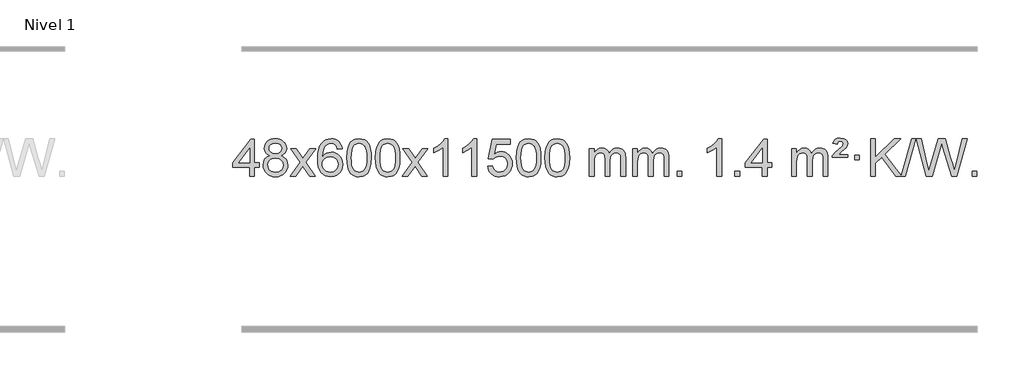
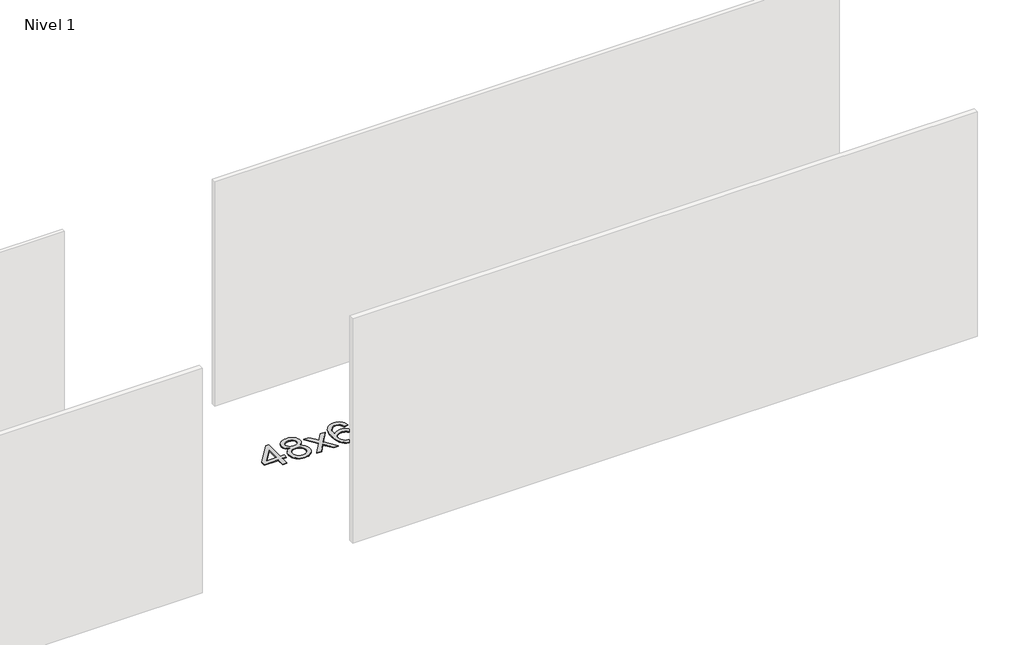
# One storey, part 8 of 10: 1 proxy.
"""IFC4 building model written with IfcOpenShell, lengths in millimetres."""

from ifc_helpers import new_model, si_unit, origin, origin_with_axes, place, context, project, spatial, polyline, outline, extrude, element, save

model = new_model("IFC4")

# Units and contexts
model_context = context("Model", 3, world=origin())
ifc_project = project(units=[si_unit("LENGTHUNIT", "METRE", prefix="MILLI")], contexts=[model_context])

# Site, building, storey
site = spatial("IfcSite", under=ifc_project)
building = spatial("IfcBuilding", under=site)
storey = spatial("IfcBuildingStorey", under=building, Name="Nivel 1", Elevation=0.0)

# Proxy
placement = place(None, origin())
element("IfcBuildingElementProxy", 1, Name="Texto de modelo 1", ObjectType="Texto de modelo 1", at=placement, inside=storey, context=model_context, shape_type="SweptSolid", body=[
    extrude(outline(polyline([(-1746.7519314, -391.579453), (-1746.7519314, -297.4016622), (-1928.8289935, -297.4016622), (-1928.8289935, -247.1735072), (-1734.1948926, 3.9672682), (-1696.5237763, 3.9672682), (-1696.5237763, -247.1735072), (-1646.2956212, -247.1735072), (-1646.2956212, -297.4016622), (-1696.5237763, -297.4016622), (-1696.5237763, -391.579453), (-1746.7519314, -391.579453)]), holes=[polyline([(-1746.7519314, -247.1735072), (-1746.7519314, -91.9763561), (-1867.0248183, -247.1735072), (-1746.7519314, -247.1735072)])]), origin_with_axes(), (0.0, 0.0, 1.0), 10.0),
    extrude(outline(polyline([(-1529.161994, -170.2616447), (-1556.0541678, -157.0178929), (-1574.9265142, -139.0652515), (-1586.0733386, -116.7716026), (-1589.7889468, -90.5048281), (-1587.7655958, -70.0199324), (-1581.6955429, -51.2395565), (-1571.578788, -34.1637006), (-1557.4153312, -18.7923645), (-1539.8857541, -6.088173), (-1519.6706385, 2.9862496), (-1496.7699843, 8.4309031), (-1471.1837915, 10.2457876), (-1445.4749714, 8.3879835), (-1422.402639, 2.8145713), (-1401.9667941, -6.4744491), (-1384.1674369, -19.4790776), (-1369.7464627, -35.1508506), (-1359.4457669, -52.4413044), (-1353.2653493, -71.3504389), (-1351.2052102, -91.8782543), (-1354.8717674, -117.2989001), (-1365.871439, -139.2124043), (-1384.3268525, -157.0546811), (-1410.360635, -170.2616447), (-1379.4462847, -186.1909351), (-1356.9441693, -209.6495436), (-1343.2221709, -239.5092989), (-1338.6481714, -274.6420295), (-1340.916777, -299.6947933), (-1347.722594, -322.6628926), (-1359.0656221, -343.5463272), (-1374.9458616, -362.3450971), (-1394.5294465, -377.88198), (-1416.9825109, -388.9797536), (-1442.3050549, -395.6384177), (-1470.4970785, -397.8579724), (-1498.689102, -395.6292206), (-1524.011646, -388.9429654), (-1546.4647105, -377.7992066), (-1566.0482954, -362.1979443), (-1581.9285348, -343.26735), (-1593.271563, -322.135595), (-1600.0773799, -298.8026795), (-1602.3459855, -273.2686033), (-1597.5880451, -236.7747094), (-1583.3142237, -206.7555386), (-1560.2602853, -184.2411605), (-1529.161994, -170.2616447)]), holes=[polyline([(-1539.5607917, -91.9763561), (-1535.1094196, -113.902123), (-1521.7553031, -131.413306), (-1499.8908499, -142.8912243), (-1469.9084673, -146.717197), (-1440.6250605, -142.9157497), (-1419.091701, -131.5114079), (-1405.8479492, -114.5888361), (-1401.4333652, -94.232699), (-1405.995102, -73.1040098), (-1419.6803122, -55.629615), (-1441.5079773, -43.8941794), (-1470.4970785, -39.9823675), (-1499.6701207, -43.8083402), (-1521.4609975, -55.2862585), (-1535.0358432, -72.1107284), (-1539.5607917, -91.9763561)]), polyline([(-1552.1178305, -271.5027698), (-1550.0209031, -290.7184726), (-1543.730121, -309.3210389), (-1532.1173127, -325.5446349), (-1514.0543067, -337.623427), (-1492.4228454, -345.1282197), (-1470.104671, -347.6298173), (-1435.9161709, -342.3691048), (-1422.0224942, -335.7932141), (-1410.2625331, -326.5869672), (-1394.2228781, -302.6869002), (-1388.8763265, -273.0723996), (-1394.3945564, -242.9551269), (-1410.9492462, -218.5277625), (-1423.0280384, -209.0854579), (-1437.1914952, -202.3409547), (-1471.7724027, -196.9453521), (-1505.4826562, -202.2673783), (-1519.2199831, -208.919911), (-1530.8787766, -218.2334569), (-1546.808067, -242.1948375), (-1552.1178305, -271.5027698)])]), origin_with_axes(), (0.0, 0.0, 1.0), 10.0),
    extrude(outline(polyline([(-1313.5340939, -391.579453), (-1206.2106531, -243.2494325), (-1307.2555745, -96.4890419), (-1246.8248254, -96.4890419), (-1198.0681983, -167.122385), (-1175.3085655, -200.4770192), (-1155.5900906, -173.2047007), (-1100.0644348, -96.4890419), (-1039.6336857, -96.4890419), (-1145.7799041, -243.2494325), (-1043.5577603, -391.579453), (-1103.9885094, -391.579453), (-1165.498379, -302.4048574), (-1176.7800935, -286.1199477), (-1253.1033448, -391.579453), (-1313.5340939, -391.579453)])), origin_with_axes(), (0.0, 0.0, 1.0), 10.0),
    extrude(outline(polyline([(-754.7458687, -96.4890419), (-804.9740237, -102.7675613), (-813.0674276, -77.874213), (-824.0057856, -60.8780648), (-846.7899439, -45.2062918), (-874.3320426, -39.9823675), (-897.6802865, -43.0235253), (-919.6551044, -52.1469988), (-938.5274507, -71.3627017), (-953.9417063, -97.8134171), (-964.3527668, -135.227016), (-968.2155277, -187.3313693), (-948.0678571, -163.8237098), (-923.9225355, -147.2567573), (-897.1284635, -137.434308), (-869.0345418, -134.1601582), (-844.9014829, -136.398107), (-822.6323595, -143.1119534), (-802.2271715, -154.3016975), (-783.6859189, -169.9673391), (-768.2777947, -189.1769106), (-757.2719917, -210.9984443), (-750.6685099, -235.4319401), (-748.4673493, -262.4773982), (-752.6121531, -298.4439945), (-765.0465645, -331.786366), (-784.740514, -360.0642287), (-810.6639319, -380.8372987), (-841.6395959, -393.602804), (-876.4902836, -397.8579724), (-906.4328123, -395.0375437), (-933.4752046, -386.5762579), (-957.6174606, -372.4741147), (-978.8595801, -352.7311143), (-996.177625, -326.5133908), (-1008.5476571, -292.9870783), (-1015.9696764, -252.1521768), (-1018.4436828, -204.0086864), (-1015.6968306, -150.0342663), (-1007.4562739, -103.9693092), (-993.7220127, -65.8138149), (-974.4940471, -35.5677835), (-953.6535321, -15.5243462), (-929.4898164, -1.2076052), (-902.0029, 7.3824394), (-871.1927829, 10.2457876), (-848.0591367, 8.4738227), (-827.1205198, 3.1579278), (-808.3769322, -5.7018969), (-791.8283738, -18.1056515), (-777.9224344, -33.6364031), (-767.1067037, -51.8772186), (-759.3811818, -72.8280983), (-754.7458687, -96.4890419)]), holes=[polyline([(-968.2155277, -261.6925832), (-965.30926, -283.9494439), (-956.5904567, -305.2007605), (-943.0523993, -323.472233), (-925.6883691, -336.7895612), (-904.7313581, -344.9197533), (-880.4143582, -347.6298173), (-847.2681904, -342.0134855), (-833.353054, -334.9930708), (-821.2098825, -325.1644901), (-811.359842, -312.9262824), (-804.3240989, -298.6769865), (-798.6955043, -264.1451299), (-804.2505225, -230.9989621), (-811.1942951, -217.3781312), (-820.9155769, -205.725469), (-833.0955366, -196.3904634), (-847.4153432, -189.7226022), (-882.4744974, -184.3883133), (-915.5716142, -189.7226022), (-943.248603, -205.725469), (-954.1716326, -217.2248471), (-961.9737965, -230.3858254), (-966.6550949, -245.2084042), (-968.2155277, -261.6925832)])]), origin_with_axes(), (0.0, 0.0, 1.0), 10.0),
    extrude(outline(polyline([(-704.5177136, -193.9041943), (-700.8266309, -129.5861588), (-689.7533828, -78.2911459), (-671.408334, -39.2343407), (-659.550271, -24.0009605), (-645.901849, -11.6309284), (-630.4170827, -2.0598651), (-613.0499869, 4.7766086), (-572.6688065, 10.2457876), (-541.717668, 7.008426), (-514.003891, -2.7036586), (-490.8273253, -18.5103217), (-473.4878206, -40.0314184), (-460.3912216, -67.0830078), (-449.9433729, -99.4811488), (-443.1007678, -140.6226186), (-440.8198994, -193.9041943), (-444.4741939, -257.8543477), (-455.4370774, -309.0267333), (-473.6717616, -348.1203266), (-485.5022334, -363.3996922), (-499.1414584, -375.8341036), (-514.6446188, -385.4695462), (-532.066897, -392.3520052), (-572.6688065, -397.8579724), (-600.3335326, -395.4667394), (-624.8589989, -388.2930405), (-646.2452055, -376.3368757), (-664.4921525, -359.5982449), (-682.0033355, -329.3399508), (-694.5113233, -291.6381776), (-702.016116, -246.4929255), (-704.5177136, -193.9041943)]), holes=[polyline([(-654.2895585, -193.8060924), (-652.8180305, -237.4706195), (-648.4034466, -272.8148822), (-641.0458067, -299.8388804), (-630.7451108, -318.5426142), (-618.2861739, -331.2682656), (-604.4538109, -340.3580165), (-589.2480218, -345.8118671), (-572.6688065, -347.6298173), (-556.0895913, -345.8057357), (-540.8838021, -340.3334911), (-527.0514391, -331.2130833), (-514.5925022, -318.4445124), (-504.2918063, -299.7101217), (-496.9341664, -272.6922549), (-492.5195825, -237.3909118), (-491.0480545, -193.8060924), (-492.4705316, -151.2973278), (-496.7379627, -116.5753989), (-503.8503479, -89.6403055), (-513.8076873, -70.4920476), (-526.0581577, -57.1440625), (-540.0499363, -47.6097875), (-555.7830229, -41.8892225), (-573.2574177, -39.9823675), (-589.7507938, -41.6623619), (-604.6990656, -46.7023452), (-618.1022329, -55.1023175), (-629.9602959, -66.8622786), (-640.6043483, -87.708925), (-648.2072429, -115.8151094), (-652.7689796, -151.1808319), (-654.2895585, -193.8060924)])]), origin_with_axes(), (0.0, 0.0, 1.0), 10.0),
    extrude(outline(polyline([(-396.8702638, -193.9041943), (-393.1791811, -129.5861588), (-382.105933, -78.2911459), (-363.7608842, -39.2343407), (-351.9028212, -24.0009605), (-338.2543992, -11.6309284), (-322.7696329, -2.0598651), (-305.402537, 4.7766086), (-265.0213567, 10.2457876), (-234.0702182, 7.008426), (-206.3564412, -2.7036586), (-183.1798755, -18.5103217), (-165.8403708, -40.0314184), (-152.7437718, -67.0830078), (-142.2959231, -99.4811488), (-135.453318, -140.6226186), (-133.1724496, -193.9041943), (-136.8267441, -257.8543477), (-147.7896275, -309.0267333), (-166.0243118, -348.1203266), (-177.8547836, -363.3996922), (-191.4940086, -375.8341036), (-206.997169, -385.4695462), (-224.4194471, -392.3520052), (-265.0213567, -397.8579724), (-292.6860827, -395.4667394), (-317.2115491, -388.2930405), (-338.5977557, -376.3368757), (-356.8447027, -359.5982449), (-374.3558856, -329.3399508), (-386.8638735, -291.6381776), (-394.3686662, -246.4929255), (-396.8702638, -193.9041943)]), holes=[polyline([(-346.6421087, -193.8060924), (-345.1705807, -237.4706195), (-340.7559968, -272.8148822), (-333.3983568, -299.8388804), (-323.097661, -318.5426142), (-310.6387241, -331.2682656), (-296.8063611, -340.3580165), (-281.6005719, -345.8118671), (-265.0213567, -347.6298173), (-248.4421414, -345.8057357), (-233.2363523, -340.3334911), (-219.4039893, -331.2130833), (-206.9450524, -318.4445124), (-196.6443565, -299.7101217), (-189.2867166, -272.6922549), (-184.8721327, -237.3909118), (-183.4006047, -193.8060924), (-184.8230817, -151.2973278), (-189.0905129, -116.5753989), (-196.2028981, -89.6403055), (-206.1602375, -70.4920476), (-218.4107079, -57.1440625), (-232.4024864, -47.6097875), (-248.1355731, -41.8892225), (-265.6099679, -39.9823675), (-282.103344, -41.6623619), (-297.0516157, -46.7023452), (-310.4547831, -55.1023175), (-322.3128461, -66.8622786), (-332.9568985, -87.708925), (-340.559793, -115.8151094), (-345.1215298, -151.1808319), (-346.6421087, -193.8060924)])]), origin_with_axes(), (0.0, 0.0, 1.0), 10.0),
    extrude(outline(polyline([(-108.0583721, -391.579453), (-0.7349313, -243.2494325), (-101.7798527, -96.4890419), (-41.3491036, -96.4890419), (7.4075235, -167.122385), (30.1671563, -200.4770192), (49.8856312, -173.2047007), (105.411287, -96.4890419), (165.8420361, -96.4890419), (59.6958177, -243.2494325), (161.9179615, -391.579453), (101.4872124, -391.579453), (39.9773428, -302.4048574), (28.6956283, -286.1199477), (-47.627623, -391.579453), (-108.0583721, -391.579453)])), origin_with_axes(), (0.0, 0.0, 1.0), 10.0),
    extrude(outline(polyline([(381.6661399, -391.579453), (331.4379848, -391.579453), (331.4379848, -78.4382987), (310.4687111, -95.3976587), (283.8585801, -112.3324932), (230.9816747, -137.6918254), (230.9816747, -90.2105225), (270.4308873, -68.7507395), (304.6071247, -43.219729), (331.5483494, -16.0700378), (349.2925243, 10.2457876), (381.6661399, 10.2457876), (381.6661399, -391.579453)])), origin_with_axes(), (0.0, 0.0, 1.0), 10.0),
    extrude(outline(polyline([(689.3135897, -391.579453), (639.0854347, -391.579453), (639.0854347, -78.4382987), (618.1161609, -95.3976587), (591.50603, -112.3324932), (538.6291245, -137.6918254), (538.6291245, -90.2105225), (578.0783371, -68.7507395), (612.2545745, -43.219729), (639.1957993, -16.0700378), (656.9399742, 10.2457876), (689.3135897, 10.2457876), (689.3135897, -391.579453)])), origin_with_axes(), (0.0, 0.0, 1.0), 10.0),
    extrude(outline(polyline([(808.605458, -284.8446235), (858.8336131, -278.5661041), (868.0551885, -308.7201649), (884.1438944, -330.3148381), (907.0261545, -343.3010725), (936.6283924, -347.6298173), (955.7582561, -346.1245668), (972.631777, -341.6088153), (987.2489549, -334.0825628), (999.6097899, -323.5458094), (1009.4383706, -310.519721), (1016.4587853, -295.5254641), (1022.0751171, -259.6324441), (1016.8144046, -225.8363514), (1010.2385139, -211.9181493), (1001.032267, -199.9865099), (989.165007, -190.4154467), (974.606077, -183.5789729), (937.4132073, -178.1097939), (913.0471565, -180.2925604), (893.3164188, -186.8408599), (877.5588067, -196.8717757), (865.1121325, -209.5023908), (814.8839774, -203.2238715), (858.8336131, 3.9672682), (1053.467714, 3.9672682), (1053.467714, -46.2608869), (899.4477854, -46.2608869), (877.9634769, -156.919791), (895.6892577, -144.2155994), (913.8442341, -135.1411769), (932.4284063, -129.6965234), (951.441774, -127.8816388), (975.902861, -130.1318504), (998.3712539, -136.882485), (1018.8469526, -148.1335427), (1037.3299572, -163.8850234), (1052.6307825, -183.1743027), (1063.5599434, -205.038756), (1070.11744, -229.4783832), (1072.3032722, -256.4931844), (1070.3351035, -282.5147042), (1064.4305975, -306.7213394), (1054.5897541, -329.1130902), (1040.8125734, -349.6899565), (1019.9414015, -370.7634634), (995.5876135, -385.8159684), (967.7512092, -394.8474714), (936.4321886, -397.8579724), (910.5118364, -395.9235262), (887.0992131, -390.1201877), (866.1943187, -380.447957), (847.7971533, -366.9068338), (832.4901966, -350.1712688), (820.8559285, -330.915712), (812.894349, -309.1401636), (808.605458, -284.8446235)])), origin_with_axes(), (0.0, 0.0, 1.0), 10.0),
    extrude(outline(polyline([(1116.2529079, -193.9041943), (1119.9439906, -129.5861588), (1131.0172386, -78.2911459), (1149.3622874, -39.2343407), (1161.2203504, -24.0009605), (1174.8687724, -11.6309284), (1190.3535388, -2.0598651), (1207.7206346, 4.7766086), (1248.1018149, 10.2457876), (1279.0529535, 7.008426), (1306.7667304, -2.7036586), (1329.9432961, -18.5103217), (1347.2828008, -40.0314184), (1360.3793999, -67.0830078), (1370.8272485, -99.4811488), (1377.6698537, -140.6226186), (1379.950722, -193.9041943), (1376.2964275, -257.8543477), (1365.3335441, -309.0267333), (1347.0988599, -348.1203266), (1335.268388, -363.3996922), (1321.6291631, -375.8341036), (1306.1260026, -385.4695462), (1288.7037245, -392.3520052), (1248.1018149, -397.8579724), (1220.4370889, -395.4667394), (1195.9116226, -388.2930405), (1174.5254159, -376.3368757), (1156.278469, -359.5982449), (1138.767286, -329.3399508), (1126.2592981, -291.6381776), (1118.7545054, -246.4929255), (1116.2529079, -193.9041943)]), holes=[polyline([(1166.481063, -193.8060924), (1167.9525909, -237.4706195), (1172.3671749, -272.8148822), (1179.7248148, -299.8388804), (1190.0255106, -318.5426142), (1202.4844475, -331.2682656), (1216.3168106, -340.3580165), (1231.5225997, -345.8118671), (1248.1018149, -347.6298173), (1264.6810302, -345.8057357), (1279.8868193, -340.3334911), (1293.7191824, -331.2130833), (1306.1781193, -318.4445124), (1316.4788151, -299.7101217), (1323.836455, -272.6922549), (1328.251039, -237.3909118), (1329.7225669, -193.8060924), (1328.3000899, -151.2973278), (1324.0326588, -116.5753989), (1316.9202735, -89.6403055), (1306.9629342, -70.4920476), (1294.7124637, -57.1440625), (1280.7206852, -47.6097875), (1264.9875985, -41.8892225), (1247.5132038, -39.9823675), (1231.0198276, -41.6623619), (1216.0715559, -46.7023452), (1202.6683885, -55.1023175), (1190.8103256, -66.8622786), (1180.1662732, -87.708925), (1172.5633786, -115.8151094), (1168.0016419, -151.1808319), (1166.481063, -193.8060924)])]), origin_with_axes(), (0.0, 0.0, 1.0), 10.0),
    extrude(outline(polyline([(1423.9003577, -193.9041943), (1427.5914404, -129.5861588), (1438.6646885, -78.2911459), (1457.0097373, -39.2343407), (1468.8678003, -24.0009605), (1482.5162223, -11.6309284), (1498.0009886, -2.0598651), (1515.3680844, 4.7766086), (1555.7492648, 10.2457876), (1586.7004033, 7.008426), (1614.4141803, -2.7036586), (1637.590746, -18.5103217), (1654.9302507, -40.0314184), (1668.0268497, -67.0830078), (1678.4746984, -99.4811488), (1685.3173035, -140.6226186), (1687.5981719, -193.9041943), (1683.9438774, -257.8543477), (1672.9809939, -309.0267333), (1654.7463097, -348.1203266), (1642.9158379, -363.3996922), (1629.2766129, -375.8341036), (1613.7734525, -385.4695462), (1596.3511743, -392.3520052), (1555.7492648, -397.8579724), (1528.0845387, -395.4667394), (1503.5590724, -388.2930405), (1482.1728657, -376.3368757), (1463.9259188, -359.5982449), (1446.4147358, -329.3399508), (1433.906748, -291.6381776), (1426.4019553, -246.4929255), (1423.9003577, -193.9041943)]), holes=[polyline([(1474.1285128, -193.8060924), (1475.6000408, -237.4706195), (1480.0146247, -272.8148822), (1487.3722646, -299.8388804), (1497.6729605, -318.5426142), (1510.1318974, -331.2682656), (1523.9642604, -340.3580165), (1539.1700495, -345.8118671), (1555.7492648, -347.6298173), (1572.32848, -345.8057357), (1587.5342692, -340.3334911), (1601.3666322, -331.2130833), (1613.8255691, -318.4445124), (1624.126265, -299.7101217), (1631.4839049, -272.6922549), (1635.8984888, -237.3909118), (1637.3700168, -193.8060924), (1635.9475397, -151.2973278), (1631.6801086, -116.5753989), (1624.5677233, -89.6403055), (1614.610384, -70.4920476), (1602.3599136, -57.1440625), (1588.368135, -47.6097875), (1572.6350484, -41.8892225), (1555.1606536, -39.9823675), (1538.6672775, -41.6623619), (1523.7190057, -46.7023452), (1510.3158384, -55.1023175), (1498.4577754, -66.8622786), (1487.813723, -87.708925), (1480.2108284, -115.8151094), (1475.6490917, -151.1808319), (1474.1285128, -193.8060924)])]), origin_with_axes(), (0.0, 0.0, 1.0), 10.0),
    extrude(outline(polyline([(1901.0678309, -391.579453), (1901.0678309, -96.4890419), (1951.295986, -96.4890419), (1951.295986, -145.0494653), (1966.4036733, -122.7435537), (1985.8278426, -105.2691589), (2008.9063064, -93.9751816), (2034.9768772, -90.2105225), (2062.9113833, -94.048758), (2085.3031341, -105.5634645), (2102.0295022, -123.9943524), (2112.9678601, -148.5811324), (2131.2761208, -123.0439906), (2152.1595554, -104.803175), (2175.6181639, -93.8586857), (2201.6519464, -90.2105225), (2221.7597632, -91.7280358), (2239.4089019, -96.2805755), (2254.5993626, -103.8681416), (2267.3311453, -114.4907342), (2277.3957836, -128.2709806), (2284.5848109, -145.3315082), (2288.8982273, -165.6723168), (2290.3360328, -189.2934066), (2290.3360328, -391.579453), (2240.1078777, -391.579453), (2240.1078777, -210.875817), (2238.942918, -185.8230531), (2235.4480391, -168.9372695), (2228.8997396, -157.3735121), (2218.5745182, -148.2868268), (2205.2939782, -142.4007149), (2189.8797226, -140.4386776), (2162.6687177, -145.4663982), (2140.4854334, -160.54956), (2131.8800604, -172.1194488), (2125.7333654, -186.7182326), (2120.8160094, -225.0024856), (2120.8160094, -391.579453), (2070.5878543, -391.579453), (2070.5878543, -205.2840106), (2067.6815865, -176.8835206), (2058.9627833, -156.6254854), (2043.6221041, -144.4853796), (2020.8502086, -140.4386776), (2001.4996156, -143.1364789), (1983.6696016, -151.2298828), (1968.9543218, -164.5226856), (1958.9479315, -182.8186835), (1953.2089724, -208.2025411), (1951.295986, -242.7589232), (1951.295986, -391.579453), (1901.0678309, -391.579453)])), origin_with_axes(), (0.0, 0.0, 1.0), 10.0),
    extrude(outline(polyline([(2365.6782654, -391.579453), (2365.6782654, -96.4890419), (2415.9064204, -96.4890419), (2415.9064204, -145.0494653), (2431.0141077, -122.7435537), (2450.4382771, -105.2691589), (2473.5167409, -93.9751816), (2499.5873116, -90.2105225), (2527.5218178, -94.048758), (2549.9135685, -105.5634645), (2566.6399366, -123.9943524), (2577.5782946, -148.5811324), (2595.8865552, -123.0439906), (2616.7699898, -104.803175), (2640.2285984, -93.8586857), (2666.2623809, -90.2105225), (2686.3701976, -91.7280358), (2704.0193363, -96.2805755), (2719.209797, -103.8681416), (2731.9415798, -114.4907342), (2742.006218, -128.2709806), (2749.1952453, -145.3315082), (2753.5086617, -165.6723168), (2754.9464672, -189.2934066), (2754.9464672, -391.579453), (2704.7183121, -391.579453), (2704.7183121, -210.875817), (2703.5533525, -185.8230531), (2700.0584735, -168.9372695), (2693.510174, -157.3735121), (2683.1849527, -148.2868268), (2669.9044126, -142.4007149), (2654.490157, -140.4386776), (2627.2791521, -145.4663982), (2605.0958678, -160.54956), (2596.4904948, -172.1194488), (2590.3437998, -186.7182326), (2585.4264438, -225.0024856), (2585.4264438, -391.579453), (2535.1982887, -391.579453), (2535.1982887, -205.2840106), (2532.292021, -176.8835206), (2523.5732177, -156.6254854), (2508.2325385, -144.4853796), (2485.460643, -140.4386776), (2466.11005, -143.1364789), (2448.280036, -151.2298828), (2433.5647562, -164.5226856), (2423.5583659, -182.8186835), (2417.8194068, -208.2025411), (2415.9064204, -242.7589232), (2415.9064204, -391.579453), (2365.6782654, -391.579453)])), origin_with_axes(), (0.0, 0.0, 1.0), 10.0),
    extrude(outline(polyline([(2842.8457386, -391.579453), (2842.8457386, -341.3512979), (2893.0738936, -341.3512979), (2893.0738936, -391.579453), (2842.8457386, -391.579453)])), origin_with_axes(), (0.0, 0.0, 1.0), 10.0),
    extrude(outline(polyline([(3320.0132118, -391.579453), (3269.7850567, -391.579453), (3269.7850567, -78.4382987), (3248.815783, -95.3976587), (3222.205652, -112.3324932), (3169.3287466, -137.6918254), (3169.3287466, -90.2105225), (3208.7779592, -68.7507395), (3242.9541965, -43.219729), (3269.8954213, -16.0700378), (3287.6395962, 10.2457876), (3320.0132118, 10.2457876), (3320.0132118, -391.579453)])), origin_with_axes(), (0.0, 0.0, 1.0), 10.0),
    extrude(outline(polyline([(3464.4191576, -391.579453), (3464.4191576, -341.3512979), (3514.6473127, -341.3512979), (3514.6473127, -391.579453), (3464.4191576, -391.579453)])), origin_with_axes(), (0.0, 0.0, 1.0), 10.0),
    extrude(outline(polyline([(3759.5095687, -391.579453), (3759.5095687, -297.4016622), (3577.4325065, -297.4016622), (3577.4325065, -247.1735072), (3772.0666075, 3.9672682), (3809.7377238, 3.9672682), (3809.7377238, -247.1735072), (3859.9658788, -247.1735072), (3859.9658788, -297.4016622), (3809.7377238, -297.4016622), (3809.7377238, -391.579453), (3759.5095687, -391.579453)]), holes=[polyline([(3759.5095687, -247.1735072), (3759.5095687, -91.9763561), (3639.2366817, -247.1735072), (3759.5095687, -247.1735072)])]), origin_with_axes(), (0.0, 0.0, 1.0), 10.0),
    extrude(outline(polyline([(4073.4355379, -391.579453), (4073.4355379, -96.4890419), (4123.663693, -96.4890419), (4123.663693, -145.0494653), (4138.7713803, -122.7435537), (4158.1955496, -105.2691589), (4181.2740134, -93.9751816), (4207.3445842, -90.2105225), (4235.2790903, -94.048758), (4257.6708411, -105.5634645), (4274.3972091, -123.9943524), (4285.3355671, -148.5811324), (4303.6438278, -123.0439906), (4324.5272623, -104.803175), (4347.9858709, -93.8586857), (4374.0196534, -90.2105225), (4394.1274702, -91.7280358), (4411.7766089, -96.2805755), (4426.9670696, -103.8681416), (4439.6988523, -114.4907342), (4449.7634906, -128.2709806), (4456.9525179, -145.3315082), (4461.2659343, -165.6723168), (4462.7037397, -189.2934066), (4462.7037397, -391.579453), (4412.4755847, -391.579453), (4412.4755847, -210.875817), (4411.310625, -185.8230531), (4407.8157461, -168.9372695), (4401.2674465, -157.3735121), (4390.9422252, -148.2868268), (4377.6616852, -142.4007149), (4362.2474296, -140.4386776), (4335.0364247, -145.4663982), (4312.8531404, -160.54956), (4304.2477674, -172.1194488), (4298.1010724, -186.7182326), (4293.1837164, -225.0024856), (4293.1837164, -391.579453), (4242.9555613, -391.579453), (4242.9555613, -205.2840106), (4240.0492935, -176.8835206), (4231.3304902, -156.6254854), (4215.989811, -144.4853796), (4193.2179155, -140.4386776), (4173.8673226, -143.1364789), (4156.0373086, -151.2298828), (4141.3220287, -164.5226856), (4131.3156385, -182.8186835), (4125.5766794, -208.2025411), (4123.663693, -242.7589232), (4123.663693, -391.579453), (4073.4355379, -391.579453)])), origin_with_axes(), (0.0, 0.0, 1.0), 10.0),
    extrude(outline(polyline([(4506.6533754, -190.6668327), (4510.4793482, -174.8479069), (4518.8180067, -158.9799302), (4540.3268407, -133.8413272), (4572.2835234, -106.1030247), (4616.4293628, -68.726214), (4623.5662735, -57.1992448), (4625.9452437, -45.3779701), (4624.0567828, -33.2869152), (4618.3914001, -23.5012541), (4609.022672, -17.026531), (4596.0241748, -14.8682899), (4583.5897634, -16.4869707), (4574.73607, -21.343013), (4568.3103978, -30.8098431), (4563.1600499, -46.2608869), (4512.9318948, -39.9823675), (4523.7721509, -14.7701881), (4540.4004171, 2.7900458), (4564.165594, 13.0907417), (4596.4165822, 16.524307), (4632.1992376, 12.3917659), (4656.9454332, -0.0058573), (4671.3664074, -18.3386434), (4676.1733988, -40.2766731), (4672.0776459, -63.1834586), (4659.7903873, -84.8149199), (4639.262572, -104.6314968), (4602.7932035, -132.6886303), (4577.1886166, -159.2742358), (4676.1733988, -159.2742358), (4676.1733988, -190.6668327), (4506.6533754, -190.6668327)])), origin_with_axes(), (0.0, 0.0, 1.0), 10.0),
    extrude(outline(polyline([(4751.5156314, -215.7809102), (4751.5156314, -165.5527552), (4801.7437865, -165.5527552), (4801.7437865, -215.7809102), (4751.5156314, -215.7809102)])), origin_with_axes(), (0.0, 0.0, 1.0), 10.0),
    extrude(outline(polyline([(5192.3854144, -391.579453), (5038.954097, -188.9009991), (4971.2638099, -253.4520265), (4971.2638099, -391.579453), (4921.0356548, -391.579453), (4921.0356548, 10.2457876), (4971.2638099, 10.2457876), (4971.2638099, -186.4484525), (5177.2777272, 10.2457876), (5247.5186628, 10.2457876), (5074.5650741, -154.9577537), (5249.218684, -385.5349332), (5360.5320117, 10.2457876), (5405.8550735, 10.2457876), (5292.8417246, -391.579453), (5253.7971822, -391.579453), (5247.5186628, -391.579453), (5192.3854144, -391.579453)])), origin_with_axes(), (0.0, 0.0, 1.0), 10.0),
    extrude(outline(polyline([(5520.3399504, -391.579453), (5410.7601668, 10.2457876), (5462.5579517, 10.2457876), (5526.1279605, -253.844434), (5545.7483335, -335.3670841), (5566.7421327, -263.2622131), (5646.4008474, 10.2457876), (5721.056367, 10.2457876), (5778.9364675, -188.0180823), (5803.731714, -261.5944814), (5822.0031864, -335.3670841), (5841.0349483, -256.1988788), (5905.1935683, 10.2457876), (5956.9913532, 10.2457876), (5847.3134677, -391.579453), (5793.6517474, -391.579453), (5697.3157155, -81.5775584), (5683.87576, -38.3146358), (5668.7680727, -90.4067263), (5580.9669032, -391.579453), (5520.3399504, -391.579453)])), origin_with_axes(), (0.0, 0.0, 1.0), 10.0),
    extrude(outline(polyline([(6013.4980277, -391.579453), (6013.4980277, -341.3512979), (6063.7261827, -341.3512979), (6063.7261827, -391.579453), (6013.4980277, -391.579453)])), origin_with_axes(), (0.0, 0.0, 1.0), 10.0),
])

save(model, "model.ifc")
